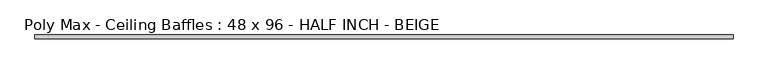
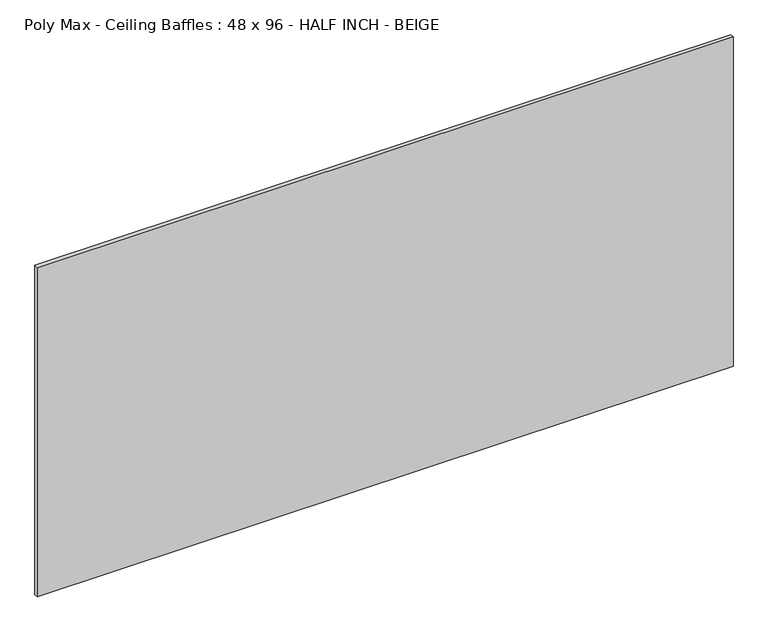
"""IFC4 building model written with IfcOpenShell, lengths in millimetres: proxy geometry, Poly Max - Ceiling Baffles : 48 x 96 - HALF INCH - BEIGE."""

import ifcopenshell
import ifcopenshell.guid

model = None  # the IFC model being written
_history = None  # IfcOwnerHistory: only IFC2X3 demands one
_inside = {}  # id of a spatial element -> (the spatial element, [elements in it])
_under = {}  # id of a project, library or spatial element -> (it, [spatial elements below it])
_declared = {}  # id of a project -> (the project, [libraries it declares])
_typed = {}  # id of a type object -> (the type object, [elements of that type])
_made_of = {}  # id of a material, layer set ... -> (it, [elements and type objects made of it])


def new_model(schema):
    """Start an empty IFC model of exactly this schema.

    Asked for "IFC4X3", IfcOpenShell would pick the latest addendum, in which some entities
    have other attributes; the version numbers below select the first issue.
    IFC2X3 requires an IfcOwnerHistory on every rooted entity: one is made here for all.
    """
    global model, _history
    if schema == "IFC4X3":
        model = ifcopenshell.file(schema_version=(4, 3, 0, 0))
    else:
        model = ifcopenshell.file(schema=schema)
    _inside.clear()
    _under.clear()
    _declared.clear()
    _typed.clear()
    _made_of.clear()
    _history = None
    if model.schema == "IFC2X3":
        org = make("IfcOrganization", Name="unknown")
        user = make(
            "IfcPersonAndOrganization",
            ThePerson=make("IfcPerson", FamilyName="unknown"),
            TheOrganization=org,
        )
        app = make(
            "IfcApplication",
            ApplicationDeveloper=org,
            Version="unknown",
            ApplicationFullName="unknown",
            ApplicationIdentifier="unknown",
        )
        _history = make(
            "IfcOwnerHistory",
            OwningUser=user,
            OwningApplication=app,
            ChangeAction="ADDED",
            CreationDate=0,
        )
    return model


def make(cls, **values):
    """One entity of the class cls with the attributes given. An attribute that is None is left unset."""
    return model.create_entity(
        cls, **{name: value for name, value in values.items() if value is not None}
    )


def rooted(cls, **values):
    """An entity with a GlobalId (a new one), such as an element, a storey or a relation."""
    return make(cls, GlobalId=ifcopenshell.guid.new(), OwnerHistory=_history, **values)


def si_unit(unit_type, name, prefix=None):
    """IfcSIUnit, for example si_unit("LENGTHUNIT", "METRE", prefix="MILLI")."""
    return make("IfcSIUnit", UnitType=unit_type, Prefix=prefix, Name=name)


def assignment(units):
    """IfcUnitAssignment: the units of a project."""
    return None if units is None else make("IfcUnitAssignment", Units=units)


def point(xyz):
    """IfcCartesianPoint."""
    return None if xyz is None else make("IfcCartesianPoint", Coordinates=xyz)


def direction(xyz):
    """IfcDirection."""
    return None if xyz is None else make("IfcDirection", DirectionRatios=xyz)


def frame(location, z_axis=None, x_axis=None):
    """IfcAxis2Placement3D, a coordinate frame: its origin and axes. An axis left out is left unset."""
    return make(
        "IfcAxis2Placement3D",
        Location=point(location),
        Axis=direction(z_axis),
        RefDirection=direction(x_axis),
    )


def origin():
    """The frame at (0, 0, 0) with its axes left unset."""
    return frame((0.0, 0.0, 0.0))


def origin_with_axes():
    """The frame at (0, 0, 0) with the z axis (0, 0, 1) and the x axis (1, 0, 0) written out."""
    return frame((0.0, 0.0, 0.0), z_axis=(0.0, 0.0, 1.0), x_axis=(1.0, 0.0, 0.0))


def place(relative_to, where):
    """IfcLocalPlacement: puts the frame where relative to a parent placement (None: the world)."""
    return make(
        "IfcLocalPlacement", PlacementRelTo=relative_to, RelativePlacement=where
    )


def context(
    kind, dimensions, precision=None, world=None, true_north=None, identifier=None
):
    """IfcGeometricRepresentationContext, for example the 3D "Model" context."""
    return make(
        "IfcGeometricRepresentationContext",
        ContextIdentifier=identifier,
        ContextType=kind,
        CoordinateSpaceDimension=dimensions,
        Precision=precision,
        WorldCoordinateSystem=world,
        TrueNorth=true_north,
    )


def project(units=None, contexts=None):
    """IfcProject with its units and contexts."""
    return rooted(
        "IfcProject",
        Name="project",
        RepresentationContexts=contexts,
        UnitsInContext=assignment(units),
    )


def spatial(cls, under=None, at=None, **own):
    """A site, building, storey or space (cls), placed at a placement, below another one or the project."""
    s = rooted(cls, ObjectPlacement=at, **own)
    if under is not None:
        _under.setdefault(under.id(), (under, []))[1].append(s)
    return s


def polyline(points):
    """IfcPolyline through the points."""
    return make("IfcPolyline", Points=[point(p) for p in points])


def outline(outer, holes=None, kind="AREA"):
    """IfcArbitraryClosedProfileDef: a profile drawn as a closed curve; with holes, ...WithVoids."""
    if holes is None:
        return make("IfcArbitraryClosedProfileDef", ProfileType=kind, OuterCurve=outer)
    return make(
        "IfcArbitraryProfileDefWithVoids",
        ProfileType=kind,
        OuterCurve=outer,
        InnerCurves=holes,
    )


def extrude(swept, where, along, depth):
    """IfcExtrudedAreaSolid: the profile swept, set in the frame where, extruded along a direction by depth."""
    return make(
        "IfcExtrudedAreaSolid",
        SweptArea=swept,
        Position=where,
        ExtrudedDirection=direction(along),
        Depth=depth,
    )


def shape(context_of_items, identifier, shape_type, items):
    """IfcShapeRepresentation: the items that make up one representation, for example the "Body"."""
    return make(
        "IfcShapeRepresentation",
        ContextOfItems=context_of_items,
        RepresentationIdentifier=identifier,
        RepresentationType=shape_type,
        Items=items,
    )


def source(mapping_origin, context_of_items, identifier, shape_type, items):
    """IfcRepresentationMap: a shape defined once, which mapped items show again and again."""
    return make(
        "IfcRepresentationMap",
        MappingOrigin=mapping_origin,
        MappedRepresentation=shape(context_of_items, identifier, shape_type, items),
    )


def transform(
    local_origin,
    x_axis=None,
    y_axis=None,
    z_axis=None,
    scale=None,
    scale2=None,
    scale3=None,
    uniform=True,
):
    """IfcCartesianTransformationOperator3D, or its non-uniform kind. x_axis, y_axis, z_axis: its Axis1, 2, 3."""
    if uniform:
        return make(
            "IfcCartesianTransformationOperator3D",
            Axis1=direction(x_axis),
            Axis2=direction(y_axis),
            LocalOrigin=point(local_origin),
            Scale=scale,
            Axis3=direction(z_axis),
        )
    return make(
        "IfcCartesianTransformationOperator3DnonUniform",
        Axis1=direction(x_axis),
        Axis2=direction(y_axis),
        LocalOrigin=point(local_origin),
        Scale=scale,
        Axis3=direction(z_axis),
        Scale2=scale2,
        Scale3=scale3,
    )


def mapped(mapping_source, mapping_target):
    """IfcMappedItem: shows the shape of a source again, moved by a transform."""
    return make(
        "IfcMappedItem", MappingSource=mapping_source, MappingTarget=mapping_target
    )


def made_of(thing, what):
    """Note that an element or type object is made of a material, layer set ...; save() writes the relation."""
    if what is not None:
        _made_of.setdefault(what.id(), (what, []))[1].append(thing)
    return thing


def element(
    cls,
    number,
    at=None,
    inside=None,
    cuts=None,
    type_object=None,
    material=None,
    context=None,
    identifier="Body",
    shape_type=None,
    held_by="IfcProductDefinitionShape",
    body=None,
    shapes=None,
    **own,
):
    """One element of the class cls, such as IfcWall. Its Tag is "e" and its number.

    at: its placement. inside: the storey or other place that contains it. cuts: it is an
    opening in that element (IfcRelVoidsElement). A single representation is given by context,
    identifier, shape_type and body (its items); several are given by shapes. held_by: the class
    of the entity that holds the representations. save() writes the other relations.
    """
    e = rooted(cls, Tag="e%d" % number, ObjectPlacement=at, **own)
    if body is not None:
        shapes = [shape(context, identifier, shape_type, body)]
    if shapes is not None:
        e.Representation = make(held_by, Representations=shapes)
    if inside is not None:
        _inside.setdefault(inside.id(), (inside, []))[1].append(e)
    if cuts is not None:
        rooted(
            "IfcRelVoidsElement", RelatingBuildingElement=cuts, RelatedOpeningElement=e
        )
    if type_object is not None:
        _typed.setdefault(type_object.id(), (type_object, []))[1].append(e)
    return made_of(e, material)


def aggregate(whole, parts):
    """IfcRelAggregates: a whole, such as a stair, and the parts it consists of."""
    return rooted("IfcRelAggregates", RelatingObject=whole, RelatedObjects=parts)


def save(model, path):
    """Write the relations noted so far, then the file.

    IfcRelAggregates (storeys below a building ...), IfcRelContainedInSpatialStructure (elements
    in a storey), IfcRelDefinesByType, IfcRelAssociatesMaterial and IfcRelDeclares: one each for
    every whole, place, type object, material and project.
    """
    for whole, parts in _under.values():
        aggregate(whole, parts)
    for where, things in _inside.values():
        rooted(
            "IfcRelContainedInSpatialStructure",
            RelatedElements=things,
            RelatingStructure=where,
        )
    for kind, things in _typed.values():
        rooted("IfcRelDefinesByType", RelatedObjects=things, RelatingType=kind)
    for what, things in _made_of.values():
        rooted("IfcRelAssociatesMaterial", RelatedObjects=things, RelatingMaterial=what)
    for by, libraries in _declared.values():
        rooted("IfcRelDeclares", RelatingContext=by, RelatedDefinitions=libraries)
    model.write(path)


def poly_max_ceiling_baffles_48_x_96_half_inch_beige_ce4d047d(model_context):
    return source(origin(), model_context, "Body", "SweptSolid", [
        extrude(outline(polyline([(1219.2, -12.7), (-1219.2, -12.7), (-1219.2, 0.0), (1219.2, 0.0), (1219.2, -12.7)])), origin_with_axes(), (0.0, 0.0, 1.0), 1219.2),
    ])


if __name__ == "__main__":
    model = new_model("IFC4")
    model_context = context("Model", 3, world=origin())
    ifc_project = project(units=[si_unit("LENGTHUNIT", "METRE", prefix="MILLI")], contexts=[model_context])
    site = spatial("IfcSite", under=ifc_project)
    building = spatial("IfcBuilding", under=site)
    placement = place(None, origin())
    poly_max_ceiling_baffles_48_x_96_half_inch_beige_shape = poly_max_ceiling_baffles_48_x_96_half_inch_beige_ce4d047d(model_context)
    element("IfcBuildingElementProxy", 1, Name="Poly Max - Ceiling Baffles : 48 x 96 - HALF INCH - BEIGE", ObjectType="Poly Max - Ceiling Baffles : 48 x 96 - HALF INCH - BEIGE", at=placement, inside=building, context=model_context, shape_type="MappedRepresentation", body=[
        mapped(poly_max_ceiling_baffles_48_x_96_half_inch_beige_shape, transform((0.0, 0.0, 0.0), x_axis=(1.0, 0.0, 0.0), y_axis=(0.0, 1.0, 0.0), z_axis=(0.0, 0.0, 1.0))),
    ])
    save(model, "model.ifc")
